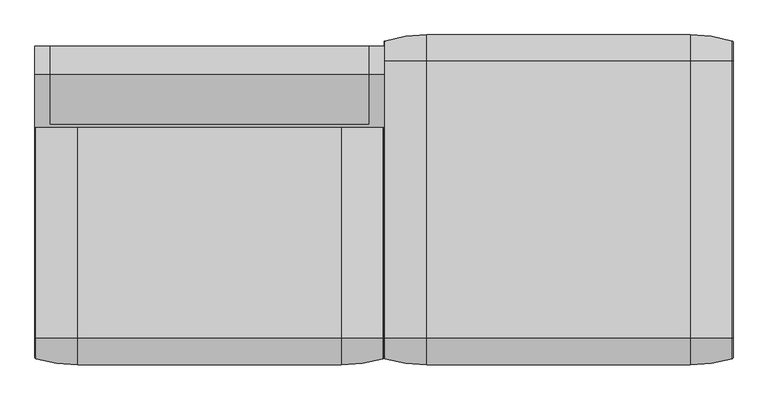
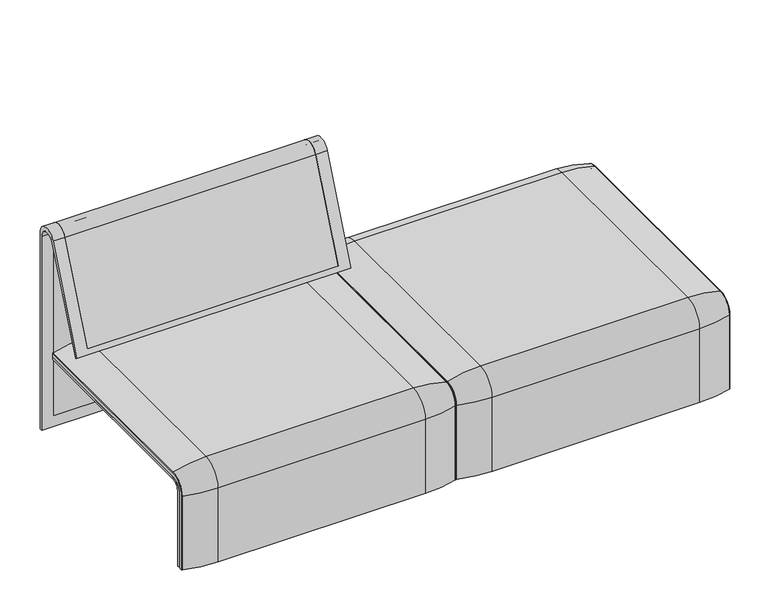
"""IFC4 building model written with IfcOpenShell, lengths in millimetres: furniture geometry."""

from ifc_helpers import new_model, si_unit, point, frame, frame_2d, origin, place, context, project, spatial, polyline, circle_curve, ellipse_curve, trimmed, segment, composite_curve, outline, extrude, source, transform, mapped, element, save
from ifc_brep_helpers import plane_surface, cylinder_surface, revolved_surface, advanced_brep


def furniture_f0f75079(model_context):
    return source(origin(), model_context, "Body", "SolidModel", [
        advanced_brep(
        [(0.0, 323.7517936, 359.922434), (0.0, -323.7517936, 359.922434), (0.0, -351.0, 332.6742277), (0.0, -351.0, 100.5089435), (0.0, -357.5, 100.5089435), (0.0, -357.5, 333.0583003), (0.0, -324.3858663, 366.172434), (0.0, 324.3858663, 366.172434), (0.0, 357.5, 333.0583003), (0.0, 357.5, 100.5089435), (0.0, 351.0, 100.5089435), (0.0, 351.0, 332.6742277), (815.9812488, 323.7517936, 359.922434), (815.9812488, 351.0, 332.6742277), (815.9812488, 351.0, 100.5089435), (815.9812488, 357.5, 100.5089435), (815.9812488, 357.5, 333.0583003), (815.9812488, 324.3858663, 366.172434), (815.9812488, -324.3858663, 366.172434), (815.9812488, -357.5, 333.0583003), (815.9812488, -357.5, 100.5089435), (815.9812488, -351.0, 100.5089435), (815.9812488, -351.0, 332.6742277), (815.9812488, -323.7517936, 359.922434), (34.9, -324.3858663, 366.172434), (34.9, 324.3858663, 366.172434), (781.0812488, 324.3858663, 366.172434), (781.0812488, -324.3858663, 366.172434), (34.9, -357.5, 333.0583003), (781.0812488, -357.5, 333.0583003), (781.0812488, -357.5, 135.3766997), (34.9, -357.5, 135.3766997), (34.9, -351.0, 332.6742277), (34.9, -351.0, 135.3766997), (781.0812488, -351.0, 135.3766997), (781.0812488, -351.0, 332.6742277), (34.9, -323.7517936, 359.922434), (781.0812488, -323.7517936, 359.922434), (34.9, 323.7517936, 359.922434), (781.0812488, 323.7517936, 359.922434), (34.9, 357.5, 333.0583003), (781.0812488, 357.5, 333.0583003), (34.9, 357.5, 135.3766997), (781.0812488, 357.5, 135.3766997), (781.0812488, 351.0, 332.6742277), (781.0812488, 351.0, 135.3766997), (34.9, 351.0, 135.3766997), (34.9, 351.0, 332.6742277)],
        [
            (0, 1),
            (1, 2, circle_curve(frame((0.0, -323.7517936, 332.6742277), z_axis=(1.0, 0.0, 0.0), x_axis=(0.0, -1.0, 0.0)), 27.2482064)),
            (2, 3),
            (3, 4),
            (4, 5),
            (5, 6, circle_curve(frame((0.0, -324.3858663, 333.0583003), z_axis=(-1.0, 0.0, 0.0), x_axis=(0.0, -1.0, 0.0)), 33.1141337)),
            (6, 7),
            (7, 8, circle_curve(frame((0.0, 324.3858663, 333.0583003), z_axis=(-1.0, 0.0, 0.0), x_axis=(0.0, 1.0, 0.0)), 33.1141337)),
            (8, 9),
            (9, 10),
            (10, 11),
            (11, 0, circle_curve(frame((0.0, 323.7517936, 332.6742277), z_axis=(1.0, 0.0, 0.0), x_axis=(0.0, 1.0, 0.0)), 27.2482064)),
            (12, 13, circle_curve(frame((815.9812488, 323.7517936, 332.6742277), z_axis=(-1.0, 0.0, 0.0), x_axis=(0.0, 1.0, 0.0)), 27.2482064)),
            (13, 14),
            (14, 15),
            (15, 16),
            (16, 17, circle_curve(frame((815.9812488, 324.3858663, 333.0583003), z_axis=(1.0, 0.0, 0.0), x_axis=(0.0, 1.0, 0.0)), 33.1141337)),
            (17, 18),
            (18, 19, circle_curve(frame((815.9812488, -324.3858663, 333.0583003), z_axis=(1.0, 0.0, 0.0), x_axis=(0.0, -1.0, 0.0)), 33.1141337)),
            (19, 20),
            (20, 21),
            (21, 22),
            (22, 23, circle_curve(frame((815.9812488, -323.7517936, 332.6742277), z_axis=(-1.0, 0.0, 0.0), x_axis=(0.0, -1.0, 0.0)), 27.2482064)),
            (23, 12),
            (6, 24),
            (24, 25),
            (25, 7),
            (17, 26),
            (26, 27),
            (27, 18),
            (5, 28),
            (28, 24, circle_curve(frame((34.9, -324.3858663, 333.0583003), z_axis=(-1.0, 0.0, 0.0), x_axis=(0.0, -1.0, 0.0)), 33.1141337)),
            (27, 29, circle_curve(frame((781.0812488, -324.3858663, 333.0583003), z_axis=(1.0, 0.0, 0.0), x_axis=(0.0, -1.0, 0.0)), 33.1141337)),
            (29, 19),
            (4, 20),
            (29, 30),
            (30, 31),
            (31, 28),
            (3, 21),
            (2, 32),
            (32, 33),
            (33, 34),
            (34, 35),
            (35, 22),
            (1, 36),
            (36, 32, circle_curve(frame((34.9, -323.7517936, 332.6742277), z_axis=(1.0, 0.0, 0.0), x_axis=(0.0, -1.0, 0.0)), 27.2482064)),
            (35, 37, circle_curve(frame((781.0812488, -323.7517936, 332.6742277), z_axis=(-1.0, 0.0, 0.0), x_axis=(0.0, -1.0, 0.0)), 27.2482064)),
            (37, 23),
            (0, 38),
            (38, 36),
            (37, 39),
            (39, 12),
            (25, 40, circle_curve(frame((34.9, 324.3858663, 333.0583003), z_axis=(-1.0, 0.0, 0.0), x_axis=(0.0, 1.0, 0.0)), 33.1141337)),
            (40, 8),
            (16, 41),
            (41, 26, circle_curve(frame((781.0812488, 324.3858663, 333.0583003), z_axis=(1.0, 0.0, 0.0), x_axis=(0.0, 1.0, 0.0)), 33.1141337)),
            (40, 42),
            (42, 43),
            (43, 41),
            (15, 9),
            (14, 10),
            (13, 44),
            (44, 45),
            (45, 46),
            (46, 47),
            (47, 11),
            (47, 38, circle_curve(frame((34.9, 323.7517936, 332.6742277), z_axis=(1.0, 0.0, 0.0), x_axis=(0.0, 1.0, 0.0)), 27.2482064)),
            (39, 44, circle_curve(frame((781.0812488, 323.7517936, 332.6742277), z_axis=(-1.0, 0.0, 0.0), x_axis=(0.0, 1.0, 0.0)), 27.2482064)),
            (46, 42),
            (31, 33),
            (34, 30),
            (43, 45),
        ],
        [
            plane_surface(frame((0.0, -296.9265415, 359.922434), z_axis=(-1.0, 0.0, 0.0), x_axis=(0.0, -1.0, 0.0))),
            plane_surface(frame((815.9812488, -296.9265415, 359.922434), z_axis=(1.0, 0.0, 0.0), x_axis=(0.0, 1.0, 0.0))),
            plane_surface(frame((0.0, -324.3858663, 366.172434), z_axis=(0.0, 0.0, 1.0), x_axis=(1.0, 0.0, 0.0))),
            cylinder_surface(frame((815.9812488, -324.3858663, 333.0583003), z_axis=(-1.0, 0.0, 0.0), x_axis=(0.0, -1.0, 0.0)), 33.1141337),
            plane_surface(frame((0.0, -357.5, 100.5089435), z_axis=(0.0, -1.0, 0.0), x_axis=(1.0, 0.0, 0.0))),
            plane_surface(frame((0.0, -351.0, 100.5089435), z_axis=(0.0, 0.0, -1.0), x_axis=(1.0, 0.0, 0.0))),
            plane_surface(frame((0.0, -351.0, 332.6742277), z_axis=(0.0, 1.0, 0.0), x_axis=(1.0, 0.0, 0.0))),
            revolved_surface(polyline([(34.89999999999998, -351.0, 332.6742277), (0.0, -351.0, 332.6742277)]), (815.9812488, -323.7517936, 332.6742277), (1.0, 0.0, 0.0)),
            revolved_surface(polyline([(815.9812488, -351.0, 332.6742277), (781.0812488, -351.0, 332.6742277)]), (815.9812488, -323.7517936, 332.6742277), (1.0, 0.0, 0.0)),
            plane_surface(frame((0.0, 323.7517936, 359.922434), z_axis=(0.0, 0.0, -1.0), x_axis=(1.0, 0.0, 0.0))),
            cylinder_surface(frame((815.9812488, 324.3858663, 333.0583003), z_axis=(-1.0, 0.0, 0.0), x_axis=(0.0, 1.0, 0.0)), 33.1141337),
            plane_surface(frame((0.0, 357.5, 333.0583003), z_axis=(0.0, 1.0, 0.0), x_axis=(1.0, 0.0, 0.0))),
            plane_surface(frame((0.0, 357.5, 100.5089435), z_axis=(0.0, 0.0, -1.0), x_axis=(1.0, 0.0, 0.0))),
            plane_surface(frame((0.0, 351.0, 100.5089435), z_axis=(0.0, -1.0, 0.0), x_axis=(1.0, 0.0, 0.0))),
            revolved_surface(polyline([(34.89999999999998, 351.0, 332.6742277), (0.0, 351.0, 332.6742277)]), (815.9812488, 323.7517936, 332.6742277), (1.0, 0.0, 0.0)),
            revolved_surface(polyline([(815.9812488, 351.0, 332.6742277), (781.0812488, 351.0, 332.6742277)]), (815.9812488, 323.7517936, 332.6742277), (1.0, 0.0, 0.0)),
            plane_surface(frame((34.9, -296.9265415, 359.922434), z_axis=(1.0, 0.0, 0.0), x_axis=(0.0, -1.0, 0.0))),
            plane_surface(frame((781.0812488, -296.9265415, 359.922434), z_axis=(-1.0, 0.0, 0.0), x_axis=(0.0, 1.0, 0.0))),
            plane_surface(frame((34.9, -351.0, 135.3766997), z_axis=(0.0, 0.0, 1.0), x_axis=(1.0, 0.0, 0.0))),
            plane_surface(frame((34.9, 357.5, 135.3766997), z_axis=(0.0, 0.0, 1.0), x_axis=(1.0, 0.0, 0.0))),
        ],
        [
            (0, [[1, 2, 3, 4, 5, 6, 7, 8, 9, 10, 11, 12]]),
            (1, [[13, 14, 15, 16, 17, 18, 19, 20, 21, 22, 23, 24]]),
            (2, [[-7, 25, 26, 27]]),
            (2, [[-18, 28, 29, 30]]),
            (3, [[-6, 31, 32, -25]]),
            (3, [[-19, -30, 33, 34]]),
            (4, [[-5, 35, -20, -34, 36, 37, 38, -31]]),
            (5, [[-4, 39, -21, -35]]),
            (6, [[-3, 40, 41, 42, 43, 44, -22, -39]]),
            (7, [[-2, 45, 46, -40]]),
            (8, [[-23, -44, 47, 48]]),
            (9, [[-1, 49, 50, -45]]),
            (9, [[-24, -48, 51, 52]]),
            (10, [[-8, -27, 53, 54]]),
            (10, [[-17, 55, 56, -28]]),
            (11, [[-9, -54, 57, 58, 59, -55, -16, 60]]),
            (12, [[-10, -60, -15, 61]]),
            (13, [[-11, -61, -14, 62, 63, 64, 65, 66]]),
            (14, [[-12, -66, 67, -49]]),
            (15, [[-13, -52, 68, -62]]),
            (16, [[69, -57, -53, -26, -32, -38, 70, -41, -46, -50, -67, -65]]),
            (17, [[71, -36, -33, -29, -56, -59, 72, -63, -68, -51, -47, -43]]),
            (18, [[-70, -37, -71, -42]]),
            (19, [[-69, -64, -72, -58]]),
        ],
    ),
        extrude(outline(composite_curve([segment(polyline([(323.7517936, 359.922434), (-323.7517936, 359.922434)]), True, "CONTINUOUS"), segment(trimmed(circle_curve(frame_2d((-323.7517936, 332.6742277)), 27.2482064), [point((-323.7517936, 359.922434))], [point((-351.0, 332.6742277))], True, "CARTESIAN"), True, "CONTINUOUS"), segment(polyline([(-351.0, 332.6742277), (-351.0, 135.3766997), (-357.5, 135.3766997), (-357.5, 333.0583003)]), True, "CONTINUOUS"), segment(trimmed(circle_curve(frame_2d((-324.3858663, 333.0583003)), 33.1141337), [point((-357.5, 333.0583003))], [point((-324.3858663, 366.172434))], False, "CARTESIAN"), True, "CONTINUOUS"), segment(polyline([(-324.3858663, 366.172434), (324.3858663, 366.172434)]), True, "CONTINUOUS"), segment(trimmed(circle_curve(frame_2d((324.3858663, 333.0583003)), 33.1141337), [point((324.3858663, 366.172434))], [point((357.5, 333.0583003))], False, "CARTESIAN"), True, "CONTINUOUS"), segment(polyline([(357.5, 333.0583003), (357.5, 135.3766997), (351.0, 135.3766997), (351.0, 332.6742277)]), True, "CONTINUOUS"), segment(trimmed(circle_curve(frame_2d((323.7517936, 332.6742277)), 27.2482064), [point((351.0, 332.6742277))], [point((323.7517936, 359.922434))], True, "CARTESIAN"), True, "CONTINUOUS")], self_intersect=False)), frame((34.9, 0.0, 0.0), z_axis=(1.0, 0.0, 0.0), x_axis=(0.0, 1.0, 0.0)), (0.0, 0.0, 1.0), 746.1812488),
        advanced_brep(
        [(0.0, -368.7793679, 100.5089435), (0.0, -357.5, 100.5089435), (815.9812488, -357.5, 100.5089435), (815.9812488, -368.7793679, 100.5089435), (813.8426203, -371.6530483, 100.5089435), (715.9812488, -386.0043559, 100.5089435), (100.0, -386.0043559, 100.5089435), (2.1386285, -371.6530483, 100.5089435), (0.0, 368.7793679, 100.5089435), (2.1386285, 371.6530483, 100.5089435), (100.0, 386.0043559, 100.5089435), (715.9812488, 386.0043559, 100.5089435), (813.8426203, 371.6530483, 100.5089435), (815.9812488, 368.7793679, 100.5089435), (815.9812488, 357.5, 100.5089435), (0.0, 357.5, 100.5089435), (0.0, -368.7793679, 333.0583003), (0.0, -324.3858663, 377.4518019), (0.0, 324.3858663, 377.4518019), (0.0, 368.7793679, 333.0583003), (0.0, 357.5, 333.0583003), (0.0, 324.3858663, 366.172434), (0.0, -324.3858663, 366.172434), (0.0, -357.5, 333.0583003), (815.9812488, -357.5, 333.0583003), (715.9812488, -386.0043559, 333.0583003), (100.0, -386.0043559, 333.0583003), (2.1386285, -371.6530483, 333.0583003), (815.9812488, -324.3858663, 366.172434), (100.0, -324.3858663, 394.67679), (715.9812488, -324.3858663, 394.67679), (2.1386285, -324.3858663, 380.3254823), (815.9812488, 324.3858663, 366.172434), (715.9812488, 324.3858663, 394.67679), (100.0, 324.3858663, 394.67679), (2.1386285, 324.3858663, 380.3254823), (815.9812488, 357.5, 333.0583003), (100.0, 386.0043559, 333.0583003), (715.9812488, 386.0043559, 333.0583003), (2.1386285, 371.6530483, 333.0583003), (815.9812488, 368.7793679, 333.0583003), (815.9812488, 324.3858663, 377.4518019), (815.9812488, -324.3858663, 377.4518019), (815.9812488, -368.7793679, 333.0583003), (813.8426203, -371.6530483, 333.0583003), (813.8426203, -324.3858663, 380.3254823), (813.8426203, 324.3858663, 380.3254823), (813.8426203, 371.6530483, 333.0583003)],
        [
            (0, 1),
            (1, 2),
            (2, 3),
            (3, 4, circle_curve(frame((812.9812488, -368.7793679, 100.5089435), z_axis=(0.0, 0.0, -1.0), x_axis=(-1.0, 0.0, 0.0)), 3.0)),
            (4, 5, circle_curve(frame((715.9812488, -45.1710226, 100.5089435), z_axis=(0.0, 0.0, -1.0), x_axis=(0.0, 1.0, 0.0)), 340.8333333)),
            (5, 6),
            (6, 7, circle_curve(frame((100.0, -45.1710226, 100.5089435), z_axis=(0.0, 0.0, -1.0), x_axis=(0.0, 1.0, 0.0)), 340.8333333)),
            (7, 0, circle_curve(frame((3.0, -368.7793679, 100.5089435), z_axis=(0.0, 0.0, -1.0), x_axis=(1.0, 0.0, 0.0)), 3.0)),
            (8, 9, circle_curve(frame((3.0, 368.7793679, 100.5089435), z_axis=(0.0, 0.0, -1.0), x_axis=(1.0, 0.0, 0.0)), 3.0)),
            (9, 10, circle_curve(frame((100.0, 45.1710226, 100.5089435), z_axis=(0.0, 0.0, -1.0), x_axis=(0.0, -1.0, 0.0)), 340.8333333)),
            (10, 11),
            (11, 12, circle_curve(frame((715.9812488, 45.1710226, 100.5089435), z_axis=(0.0, 0.0, -1.0), x_axis=(0.0, -1.0, 0.0)), 340.8333333)),
            (12, 13, circle_curve(frame((812.9812488, 368.7793679, 100.5089435), z_axis=(0.0, 0.0, -1.0), x_axis=(-1.0, 0.0, 0.0)), 3.0)),
            (13, 14),
            (14, 15),
            (15, 8),
            (0, 16),
            (16, 17, circle_curve(frame((0.0, -324.3858663, 333.0583003), z_axis=(-1.0, 0.0, 0.0), x_axis=(0.0, -1.0, 0.0)), 44.3935016)),
            (17, 18),
            (18, 19, circle_curve(frame((0.0, 324.3858663, 333.0583003), z_axis=(-1.0, 0.0, 0.0), x_axis=(0.0, 0.0, 1.0)), 44.3935016)),
            (19, 8),
            (15, 20),
            (20, 21, circle_curve(frame((0.0, 324.3858663, 333.0583003), z_axis=(1.0, 0.0, 0.0), x_axis=(0.0, 0.0, 1.0)), 33.1141337)),
            (21, 22),
            (22, 23, circle_curve(frame((0.0, -324.3858663, 333.0583003), z_axis=(1.0, 0.0, 0.0), x_axis=(0.0, -1.0, 0.0)), 33.1141337)),
            (23, 1),
            (23, 24),
            (24, 2),
            (5, 25),
            (25, 26),
            (26, 6),
            (26, 27, circle_curve(frame((100.0, -45.1710226, 333.0583003), z_axis=(0.0, 0.0, -1.0), x_axis=(0.0, 1.0, 0.0)), 340.8333333)),
            (27, 7),
            (27, 16, circle_curve(frame((3.0, -368.7793679, 333.0583003), z_axis=(0.0, 0.0, -1.0), x_axis=(1.0, 0.0, 0.0)), 3.0)),
            (28, 24, circle_curve(frame((815.9812488, -324.3858663, 333.0583003), z_axis=(1.0, 0.0, 0.0), x_axis=(0.0, -1.0, 0.0)), 33.1141337)),
            (22, 28),
            (29, 26, circle_curve(frame((100.0, -324.3858663, 333.0583003), z_axis=(1.0, 0.0, 0.0), x_axis=(0.0, -1.0, 0.0)), 61.6184897)),
            (25, 30, circle_curve(frame((715.9812488, -324.3858663, 333.0583003), z_axis=(-1.0, 0.0, 0.0), x_axis=(0.0, -1.0, 0.0)), 61.6184897)),
            (30, 29),
            (31, 27, circle_curve(frame((2.1386285, -324.3858663, 333.0583003), z_axis=(1.0, 0.0, 0.0), x_axis=(0.0, -1.0, 0.0)), 47.267182)),
            (29, 31, circle_curve(frame((100.0, -324.3858663, 53.8434566), z_axis=(0.0, -1.0, 0.0), x_axis=(0.0, 0.0, -1.0)), 340.8333333)),
            (31, 17, circle_curve(frame((3.0, -324.3858663, 377.4518019), z_axis=(0.0, -1.0, 0.0), x_axis=(1.0, 0.0, 0.0)), 3.0)),
            (21, 32),
            (32, 28),
            (30, 33),
            (33, 34),
            (34, 29),
            (34, 35, circle_curve(frame((100.0, 324.3858663, 53.8434566), z_axis=(0.0, -1.0, 0.0), x_axis=(0.0, 0.0, -1.0)), 340.8333333)),
            (35, 31),
            (35, 18, circle_curve(frame((3.0, 324.3858663, 377.4518019), z_axis=(0.0, -1.0, 0.0), x_axis=(1.0, 0.0, 0.0)), 3.0)),
            (36, 32, circle_curve(frame((815.9812488, 324.3858663, 333.0583003), z_axis=(1.0, 0.0, 0.0), x_axis=(0.0, 0.0, 1.0)), 33.1141337)),
            (20, 36),
            (37, 34, circle_curve(frame((100.0, 324.3858663, 333.0583003), z_axis=(1.0, 0.0, 0.0), x_axis=(0.0, 0.0, 1.0)), 61.6184897)),
            (33, 38, circle_curve(frame((715.9812488, 324.3858663, 333.0583003), z_axis=(-1.0, 0.0, 0.0), x_axis=(0.0, 0.0, 1.0)), 61.6184897)),
            (38, 37),
            (39, 35, circle_curve(frame((2.1386285, 324.3858663, 333.0583003), z_axis=(1.0, 0.0, 0.0), x_axis=(0.0, 0.0, 1.0)), 47.267182)),
            (37, 39, circle_curve(frame((100.0, 45.1710226, 333.0583003), z_axis=(0.0, 0.0, 1.0), x_axis=(0.0, -1.0, 0.0)), 340.8333333)),
            (39, 19, circle_curve(frame((3.0, 368.7793679, 333.0583003), z_axis=(0.0, 0.0, 1.0), x_axis=(1.0, 0.0, 0.0)), 3.0)),
            (14, 36),
            (38, 11),
            (10, 37),
            (9, 39),
            (13, 40),
            (40, 41, circle_curve(frame((815.9812488, 324.3858663, 333.0583003), z_axis=(1.0, 0.0, 0.0), x_axis=(0.0, 0.0, 1.0)), 44.3935016)),
            (41, 42),
            (42, 43, circle_curve(frame((815.9812488, -324.3858663, 333.0583003), z_axis=(1.0, 0.0, 0.0), x_axis=(0.0, -1.0, 0.0)), 44.3935016)),
            (43, 3),
            (43, 44, circle_curve(frame((812.9812488, -368.7793679, 333.0583003), z_axis=(0.0, 0.0, -1.0), x_axis=(-1.0, 0.0, 0.0)), 3.0)),
            (44, 4),
            (44, 25, circle_curve(frame((715.9812488, -45.1710226, 333.0583003), z_axis=(0.0, 0.0, -1.0), x_axis=(0.0, 1.0, 0.0)), 340.8333333)),
            (45, 44, circle_curve(frame((813.8426203, -324.3858663, 333.0583003), z_axis=(1.0, 0.0, 0.0), x_axis=(0.0, -1.0, 0.0)), 47.267182)),
            (42, 45, circle_curve(frame((812.9812488, -324.3858663, 377.4518019), z_axis=(0.0, -1.0, 0.0), x_axis=(-1.0, 0.0, 0.0)), 3.0)),
            (45, 30, circle_curve(frame((715.9812488, -324.3858663, 53.8434566), z_axis=(0.0, -1.0, 0.0), x_axis=(0.0, 0.0, -1.0)), 340.8333333)),
            (41, 46, circle_curve(frame((812.9812488, 324.3858663, 377.4518019), z_axis=(0.0, -1.0, 0.0), x_axis=(-1.0, 0.0, 0.0)), 3.0)),
            (46, 45),
            (46, 33, circle_curve(frame((715.9812488, 324.3858663, 53.8434566), z_axis=(0.0, -1.0, 0.0), x_axis=(0.0, 0.0, -1.0)), 340.8333333)),
            (47, 46, circle_curve(frame((813.8426203, 324.3858663, 333.0583003), z_axis=(1.0, 0.0, 0.0), x_axis=(0.0, 0.0, 1.0)), 47.267182)),
            (40, 47, circle_curve(frame((812.9812488, 368.7793679, 333.0583003), z_axis=(0.0, 0.0, 1.0), x_axis=(-1.0, 0.0, 0.0)), 3.0)),
            (47, 38, circle_curve(frame((715.9812488, 45.1710226, 333.0583003), z_axis=(0.0, 0.0, 1.0), x_axis=(0.0, -1.0, 0.0)), 340.8333333)),
            (12, 47),
        ],
        [
            plane_surface(frame((0.0, -357.5, 100.5089435), z_axis=(0.0, 0.0, -1.0), x_axis=(1.0, 0.0, 0.0))),
            plane_surface(frame((0.0, 357.5, 100.5089435), z_axis=(0.0, 0.0, -1.0), x_axis=(1.0, 0.0, 0.0))),
            plane_surface(frame((0.0, -368.7793679, 100.5089435), z_axis=(-1.0, 0.0, 0.0), x_axis=(0.0, 0.0, 1.0))),
            plane_surface(frame((0.0, -357.5, 100.5089435), z_axis=(0.0, 1.0, 0.0), x_axis=(0.0, 0.0, 1.0))),
            plane_surface(frame((715.9812488, -386.0043559, 100.5089435), z_axis=(0.0, -1.0, 0.0), x_axis=(0.0, 0.0, 1.0))),
            cylinder_surface(frame((100.0, -45.1710226, 100.5089435), z_axis=(0.0, 0.0, -1.0), x_axis=(0.0, 1.0, 0.0)), 340.8333333),
            cylinder_surface(frame((3.0, -368.7793679, 100.5089435), z_axis=(0.0, 0.0, -1.0), x_axis=(1.0, 0.0, 0.0)), 3.0),
            revolved_surface(polyline([(0.0, -357.5, 333.0583003), (815.9812488, -357.5, 333.0583003)]), (0.0, -324.3858663, 333.0583003), (-1.0, 0.0, 0.0)),
            cylinder_surface(frame((0.0, -324.3858663, 333.0583003), z_axis=(-1.0, 0.0, 0.0), x_axis=(0.0, -1.0, 0.0)), 61.6184897),
            revolved_surface(trimmed(ellipse_curve(frame((100.0, -45.1710226, 333.0583003), z_axis=(0.0, 0.0, -1.0), x_axis=(0.0, 1.0, 0.0)), 340.8333333, 340.8333333), [point((100.0, -386.0043559, 333.0583003))], [point((2.1386285, -371.6530483, 333.0583003))], True, "CARTESIAN"), (0.0, -324.3858663, 333.0583003), (-1.0, 0.0, 0.0)),
            revolved_surface(trimmed(ellipse_curve(frame((3.0, -368.7793679, 333.0583003), z_axis=(0.0, 0.0, -1.0), x_axis=(1.0, 0.0, 0.0)), 3.0, 3.0), [point((2.1386285, -371.6530483, 333.0583003))], [point((0.0, -368.7793679, 333.0583003))], True, "CARTESIAN"), (0.0, -324.3858663, 333.0583003), (-1.0, 0.0, 0.0)),
            plane_surface(frame((0.0, -324.3858663, 366.172434), z_axis=(0.0, 0.0, -1.0), x_axis=(0.0, 1.0, 0.0))),
            plane_surface(frame((715.9812488, -324.3858663, 394.67679), z_axis=(0.0, 0.0, 1.0), x_axis=(0.0, 1.0, 0.0))),
            cylinder_surface(frame((100.0, -324.3858663, 53.8434566), z_axis=(0.0, -1.0, 0.0), x_axis=(0.0, 0.0, -1.0)), 340.8333333),
            cylinder_surface(frame((3.0, -324.3858663, 377.4518019), z_axis=(0.0, -1.0, 0.0), x_axis=(1.0, 0.0, 0.0)), 3.0),
            revolved_surface(polyline([(0.0, 324.3858663, 366.17243399999995), (815.9812488, 324.3858663, 366.17243399999995)]), (0.0, 324.3858663, 333.0583003), (-1.0, 0.0, 0.0)),
            cylinder_surface(frame((0.0, 324.3858663, 333.0583003), z_axis=(-1.0, 0.0, 0.0), x_axis=(0.0, 0.0, 1.0)), 61.6184897),
            revolved_surface(trimmed(ellipse_curve(frame((100.0, 324.3858663, 53.8434566), z_axis=(0.0, -1.0, 0.0), x_axis=(0.0, 0.0, -1.0)), 340.8333333, 340.8333333), [point((100.0, 324.3858663, 394.67679))], [point((2.1386285, 324.3858663, 380.3254823))], True, "CARTESIAN"), (0.0, 324.3858663, 333.0583003), (-1.0, 0.0, 0.0)),
            revolved_surface(trimmed(ellipse_curve(frame((3.0, 324.3858663, 377.4518019), z_axis=(0.0, -1.0, 0.0), x_axis=(1.0, 0.0, 0.0)), 3.0, 3.0), [point((2.1386285, 324.3858663, 380.3254823))], [point((0.0, 324.3858663, 377.4518019))], True, "CARTESIAN"), (0.0, 324.3858663, 333.0583003), (-1.0, 0.0, 0.0)),
            plane_surface(frame((0.0, 357.5, 333.0583003), z_axis=(0.0, -1.0, 0.0), x_axis=(0.0, 0.0, -1.0))),
            plane_surface(frame((715.9812488, 386.0043559, 333.0583003), z_axis=(0.0, 1.0, 0.0), x_axis=(0.0, 0.0, -1.0))),
            cylinder_surface(frame((100.0, 45.1710226, 333.0583003), z_axis=(0.0, 0.0, 1.0), x_axis=(0.0, -1.0, 0.0)), 340.8333333),
            cylinder_surface(frame((3.0, 368.7793679, 333.0583003), z_axis=(0.0, 0.0, 1.0), x_axis=(1.0, 0.0, 0.0)), 3.0),
            plane_surface(frame((815.9812488, -357.5, 100.5089435), z_axis=(1.0, 0.0, 0.0), x_axis=(0.0, 0.0, 1.0))),
            cylinder_surface(frame((812.9812488, -368.7793679, 100.5089435), z_axis=(0.0, 0.0, -1.0), x_axis=(-1.0, 0.0, 0.0)), 3.0),
            cylinder_surface(frame((715.9812488, -45.1710226, 100.5089435), z_axis=(0.0, 0.0, -1.0), x_axis=(0.0, 1.0, 0.0)), 340.8333333),
            revolved_surface(trimmed(ellipse_curve(frame((812.9812488, -368.7793679, 333.0583003), z_axis=(0.0, 0.0, -1.0), x_axis=(-1.0, 0.0, 0.0)), 3.0, 3.0), [point((815.9812488, -368.7793679, 333.0583003))], [point((813.8426203, -371.6530483, 333.0583003))], True, "CARTESIAN"), (0.0, -324.3858663, 333.0583003), (-1.0, 0.0, 0.0)),
            revolved_surface(trimmed(ellipse_curve(frame((715.9812488, -45.1710226, 333.0583003), z_axis=(0.0, 0.0, -1.0), x_axis=(0.0, 1.0, 0.0)), 340.8333333, 340.8333333), [point((813.8426203, -371.6530483, 333.0583003))], [point((715.9812488, -386.0043559, 333.0583003))], True, "CARTESIAN"), (0.0, -324.3858663, 333.0583003), (-1.0, 0.0, 0.0)),
            cylinder_surface(frame((812.9812488, -324.3858663, 377.4518019), z_axis=(0.0, -1.0, 0.0), x_axis=(-1.0, 0.0, 0.0)), 3.0),
            cylinder_surface(frame((715.9812488, -324.3858663, 53.8434566), z_axis=(0.0, -1.0, 0.0), x_axis=(0.0, 0.0, -1.0)), 340.8333333),
            revolved_surface(trimmed(ellipse_curve(frame((812.9812488, 324.3858663, 377.4518019), z_axis=(0.0, -1.0, 0.0), x_axis=(-1.0, 0.0, 0.0)), 3.0, 3.0), [point((815.9812488, 324.3858663, 377.4518019))], [point((813.8426203, 324.3858663, 380.3254823))], True, "CARTESIAN"), (0.0, 324.3858663, 333.0583003), (-1.0, 0.0, 0.0)),
            revolved_surface(trimmed(ellipse_curve(frame((715.9812488, 324.3858663, 53.8434566), z_axis=(0.0, -1.0, 0.0), x_axis=(0.0, 0.0, -1.0)), 340.8333333, 340.8333333), [point((813.8426203, 324.3858663, 380.3254823))], [point((715.9812488, 324.3858663, 394.67679))], True, "CARTESIAN"), (0.0, 324.3858663, 333.0583003), (-1.0, 0.0, 0.0)),
            cylinder_surface(frame((812.9812488, 368.7793679, 333.0583003), z_axis=(0.0, 0.0, 1.0), x_axis=(-1.0, 0.0, 0.0)), 3.0),
            cylinder_surface(frame((715.9812488, 45.1710226, 333.0583003), z_axis=(0.0, 0.0, 1.0), x_axis=(0.0, -1.0, 0.0)), 340.8333333),
        ],
        [
            (0, [[1, 2, 3, 4, 5, 6, 7, 8]]),
            (1, [[9, 10, 11, 12, 13, 14, 15, 16]]),
            (2, [[-1, 17, 18, 19, 20, 21, -16, 22, 23, 24, 25, 26]]),
            (3, [[-2, -26, 27, 28]]),
            (4, [[-6, 29, 30, 31]]),
            (5, [[-7, -31, 32, 33]]),
            (6, [[-8, -33, 34, -17]]),
            (7, [[35, -27, -25, 36]]),
            (8, [[37, -30, 38, 39]]),
            (9, [[40, -32, -37, 41]]),
            (10, [[-18, -34, -40, 42]]),
            (11, [[-36, -24, 43, 44]]),
            (12, [[-39, 45, 46, 47]]),
            (13, [[-41, -47, 48, 49]]),
            (14, [[-42, -49, 50, -19]]),
            (15, [[51, -43, -23, 52]]),
            (16, [[53, -46, 54, 55]]),
            (17, [[56, -48, -53, 57]]),
            (18, [[-20, -50, -56, 58]]),
            (19, [[-52, -22, -15, 59]]),
            (20, [[-55, 60, -11, 61]]),
            (21, [[-57, -61, -10, 62]]),
            (22, [[-58, -62, -9, -21]]),
            (23, [[-3, -28, -35, -44, -51, -59, -14, 63, 64, 65, 66, 67]]),
            (24, [[-4, -67, 68, 69]]),
            (25, [[-5, -69, 70, -29]]),
            (26, [[71, -68, -66, 72]]),
            (27, [[-38, -70, -71, 73]]),
            (28, [[-72, -65, 74, 75]]),
            (29, [[-73, -75, 76, -45]]),
            (30, [[77, -74, -64, 78]]),
            (31, [[-54, -76, -77, 79]]),
            (32, [[-78, -63, -13, 80]]),
            (33, [[-79, -80, -12, -60]]),
        ],
    ),
        advanced_brep(
        [(-815.9812488, 295.0, 359.922434), (-815.9812488, -323.7517936, 359.922434), (-815.9812488, -351.0, 332.6742277), (-815.9812488, -351.0, 100.5089435), (-815.9812488, -357.5, 100.5089435), (-815.9812488, -357.5, 333.0583003), (-815.9812488, -324.3858663, 366.172434), (-815.9812488, 295.0, 366.172434), (0.0, 295.0, 359.922434), (0.0, 295.0, 366.172434), (0.0, -324.3858663, 366.172434), (0.0, -357.5, 333.0583003), (0.0, -357.5, 100.5089435), (0.0, -351.0, 100.5089435), (0.0, -351.0, 332.6742277), (0.0, -323.7517936, 359.922434), (-781.0812488, -324.3858663, 366.172434), (-781.0812488, 260.0, 366.172434), (-34.9, 260.0, 366.172434), (-34.9, -324.3858663, 366.172434), (-781.0812488, -357.5, 333.0583003), (-34.9, -357.5, 333.0583003), (-34.9, -357.5, 135.3766997), (-781.0812488, -357.5, 135.3766997), (-781.0812488, -351.0, 332.6742277), (-781.0812488, -351.0, 135.3766997), (-34.9, -351.0, 135.3766997), (-34.9, -351.0, 332.6742277), (-781.0812488, -323.7517936, 359.922434), (-34.9, -323.7517936, 359.922434), (-34.9, 260.0, 359.922434), (-781.0812488, 260.0, 359.922434)],
        [
            (0, 1),
            (1, 2, circle_curve(frame((-815.9812488, -323.7517936, 332.6742277), z_axis=(1.0, 0.0, 0.0), x_axis=(0.0, -1.0, 0.0)), 27.2482064)),
            (2, 3),
            (3, 4),
            (4, 5),
            (5, 6, circle_curve(frame((-815.9812488, -324.3858663, 333.0583003), z_axis=(-1.0, 0.0, 0.0), x_axis=(0.0, -1.0, 0.0)), 33.1141337)),
            (6, 7),
            (7, 0),
            (8, 9),
            (9, 10),
            (10, 11, circle_curve(frame((0.0, -324.3858663, 333.0583003), z_axis=(1.0, 0.0, 0.0), x_axis=(0.0, -1.0, 0.0)), 33.1141337)),
            (11, 12),
            (12, 13),
            (13, 14),
            (14, 15, circle_curve(frame((0.0, -323.7517936, 332.6742277), z_axis=(-1.0, 0.0, 0.0), x_axis=(0.0, -1.0, 0.0)), 27.2482064)),
            (15, 8),
            (7, 9),
            (8, 0),
            (6, 16),
            (16, 17),
            (17, 18),
            (18, 19),
            (19, 10),
            (5, 20),
            (20, 16, circle_curve(frame((-781.0812488, -324.3858663, 333.0583003), z_axis=(-1.0, 0.0, 0.0), x_axis=(0.0, -1.0, 0.0)), 33.1141337)),
            (19, 21, circle_curve(frame((-34.9, -324.3858663, 333.0583003), z_axis=(1.0, 0.0, 0.0), x_axis=(0.0, -1.0, 0.0)), 33.1141337)),
            (21, 11),
            (4, 12),
            (21, 22),
            (22, 23),
            (23, 20),
            (3, 13),
            (2, 24),
            (24, 25),
            (25, 26),
            (26, 27),
            (27, 14),
            (1, 28),
            (28, 24, circle_curve(frame((-781.0812488, -323.7517936, 332.6742277), z_axis=(1.0, 0.0, 0.0), x_axis=(0.0, -1.0, 0.0)), 27.2482064)),
            (27, 29, circle_curve(frame((-34.9, -323.7517936, 332.6742277), z_axis=(-1.0, 0.0, 0.0), x_axis=(0.0, -1.0, 0.0)), 27.2482064)),
            (29, 15),
            (29, 30),
            (30, 31),
            (31, 28),
            (31, 17),
            (23, 25),
            (26, 22),
            (18, 30),
        ],
        [
            plane_surface(frame((-815.9812488, -296.9265415, 359.922434), z_axis=(-1.0, 0.0, 0.0), x_axis=(0.0, -1.0, 0.0))),
            plane_surface(frame((0.0, -296.9265415, 359.922434), z_axis=(1.0, 0.0, 0.0), x_axis=(0.0, 1.0, 0.0))),
            plane_surface(frame((-815.9812488, 295.0, 366.172434), z_axis=(0.0, 1.0, 0.0), x_axis=(1.0, 0.0, 0.0))),
            plane_surface(frame((-815.9812488, -324.3858663, 366.172434), z_axis=(0.0, 0.0, 1.0), x_axis=(1.0, 0.0, 0.0))),
            cylinder_surface(frame((0.0, -324.3858663, 333.0583003), z_axis=(-1.0, 0.0, 0.0), x_axis=(0.0, -1.0, 0.0)), 33.1141337),
            plane_surface(frame((-815.9812488, -357.5, 100.5089435), z_axis=(0.0, -1.0, 0.0), x_axis=(1.0, 0.0, 0.0))),
            plane_surface(frame((-815.9812488, -351.0, 100.5089435), z_axis=(0.0, 0.0, -1.0), x_axis=(1.0, 0.0, 0.0))),
            plane_surface(frame((-815.9812488, -351.0, 332.6742277), z_axis=(0.0, 1.0, 0.0), x_axis=(1.0, 0.0, 0.0))),
            revolved_surface(polyline([(-781.0812488, -351.0, 332.6742277), (-815.9812488, -351.0, 332.6742277)]), (0.0, -323.7517936, 332.6742277), (1.0, 0.0, 0.0)),
            revolved_surface(polyline([(0.0, -351.0, 332.6742277), (-34.9, -351.0, 332.6742277)]), (0.0, -323.7517936, 332.6742277), (1.0, 0.0, 0.0)),
            plane_surface(frame((-815.9812488, 295.0, 359.922434), z_axis=(0.0, 0.0, -1.0), x_axis=(1.0, 0.0, 0.0))),
            plane_surface(frame((-781.0812488, -296.9265415, 359.922434), z_axis=(1.0, 0.0, 0.0), x_axis=(0.0, -1.0, 0.0))),
            plane_surface(frame((-34.9, -296.9265415, 359.922434), z_axis=(-1.0, 0.0, 0.0), x_axis=(0.0, 1.0, 0.0))),
            plane_surface(frame((-781.0812488, 260.0, 366.172434), z_axis=(0.0, -1.0, 0.0), x_axis=(1.0, 0.0, 0.0))),
            plane_surface(frame((-781.0812488, -351.0, 135.3766997), z_axis=(0.0, 0.0, 1.0), x_axis=(1.0, 0.0, 0.0))),
        ],
        [
            (0, [[1, 2, 3, 4, 5, 6, 7, 8]]),
            (1, [[9, 10, 11, 12, 13, 14, 15, 16]]),
            (2, [[-8, 17, -9, 18]]),
            (3, [[-7, 19, 20, 21, 22, 23, -10, -17]]),
            (4, [[-6, 24, 25, -19]]),
            (4, [[-11, -23, 26, 27]]),
            (5, [[-5, 28, -12, -27, 29, 30, 31, -24]]),
            (6, [[-4, 32, -13, -28]]),
            (7, [[-3, 33, 34, 35, 36, 37, -14, -32]]),
            (8, [[-2, 38, 39, -33]]),
            (9, [[-15, -37, 40, 41]]),
            (10, [[-1, -18, -16, -41, 42, 43, 44, -38]]),
            (11, [[45, -20, -25, -31, 46, -34, -39, -44]]),
            (12, [[47, -29, -26, -22, 48, -42, -40, -36]]),
            (13, [[-45, -43, -48, -21]]),
            (14, [[-46, -30, -47, -35]]),
        ],
    ),
        extrude(outline(composite_curve([segment(polyline([(260.0, 359.922434), (-323.7517936, 359.922434)]), True, "CONTINUOUS"), segment(trimmed(circle_curve(frame_2d((-323.7517936, 332.6742277)), 27.2482064), [point((-323.7517936, 359.922434))], [point((-351.0, 332.6742277))], True, "CARTESIAN"), True, "CONTINUOUS"), segment(polyline([(-351.0, 332.6742277), (-351.0, 135.3766997), (-357.5, 135.3766997), (-357.5, 333.0583003)]), True, "CONTINUOUS"), segment(trimmed(circle_curve(frame_2d((-324.3858663, 333.0583003)), 33.1141337), [point((-357.5, 333.0583003))], [point((-324.3858663, 366.172434))], False, "CARTESIAN"), True, "CONTINUOUS"), segment(polyline([(-324.3858663, 366.172434), (260.0, 366.172434), (260.0, 359.922434)]), True, "CONTINUOUS")], self_intersect=False)), frame((-781.0812488, 0.0, 0.0), z_axis=(1.0, 0.0, 0.0), x_axis=(0.0, 1.0, 0.0)), (0.0, 0.0, 1.0), 746.1812488),
        advanced_brep(
        [(-815.9812488, -368.7793679, 100.5089435), (-815.9812488, -357.5, 100.5089435), (0.0, -357.5, 100.5089435), (0.0, -368.7793679, 100.5089435), (-2.1386285, -371.6530483, 100.5089435), (-100.0, -386.0043559, 100.5089435), (-715.9812488, -386.0043559, 100.5089435), (-813.8426203, -371.6530483, 100.5089435), (-815.9812488, 295.0, 377.4518019), (-813.8426203, 295.0, 380.3254823), (-715.9812488, 295.0, 394.67679), (-100.0, 295.0, 394.67679), (-2.1386285, 295.0, 380.3254823), (0.0, 295.0, 377.4518019), (0.0, 295.0, 366.172434), (-815.9812488, 295.0, 366.172434), (-815.9812488, -368.7793679, 333.0583003), (-815.9812488, -324.3858663, 377.4518019), (-815.9812488, -324.3858663, 366.172434), (-815.9812488, -357.5, 333.0583003), (0.0, -357.5, 333.0583003), (-100.0, -386.0043559, 333.0583003), (-715.9812488, -386.0043559, 333.0583003), (-813.8426203, -371.6530483, 333.0583003), (0.0, -324.3858663, 366.172434), (-715.9812488, -324.3858663, 394.67679), (-100.0, -324.3858663, 394.67679), (-813.8426203, -324.3858663, 380.3254823), (0.0, -324.3858663, 377.4518019), (0.0, -368.7793679, 333.0583003), (-2.1386285, -371.6530483, 333.0583003), (-2.1386285, -324.3858663, 380.3254823)],
        [
            (0, 1),
            (1, 2),
            (2, 3),
            (3, 4, circle_curve(frame((-3.0, -368.7793679, 100.5089435), z_axis=(0.0, 0.0, -1.0), x_axis=(-1.0, 0.0, 0.0)), 3.0)),
            (4, 5, circle_curve(frame((-100.0, -45.1710226, 100.5089435), z_axis=(0.0, 0.0, -1.0), x_axis=(0.0, 1.0, 0.0)), 340.8333333)),
            (5, 6),
            (6, 7, circle_curve(frame((-715.9812488, -45.1710226, 100.5089435), z_axis=(0.0, 0.0, -1.0), x_axis=(0.0, 1.0, 0.0)), 340.8333333)),
            (7, 0, circle_curve(frame((-812.9812488, -368.7793679, 100.5089435), z_axis=(0.0, 0.0, -1.0), x_axis=(1.0, 0.0, 0.0)), 3.0)),
            (8, 9, circle_curve(frame((-812.9812488, 295.0, 377.4518019), z_axis=(0.0, 1.0, 0.0), x_axis=(1.0, 0.0, 0.0)), 3.0)),
            (9, 10, circle_curve(frame((-715.9812488, 295.0, 53.8434566), z_axis=(0.0, 1.0, 0.0), x_axis=(0.0, 0.0, -1.0)), 340.8333333)),
            (10, 11),
            (11, 12, circle_curve(frame((-100.0, 295.0, 53.8434566), z_axis=(0.0, 1.0, 0.0), x_axis=(0.0, 0.0, -1.0)), 340.8333333)),
            (12, 13, circle_curve(frame((-3.0, 295.0, 377.4518019), z_axis=(0.0, 1.0, 0.0), x_axis=(-1.0, 0.0, 0.0)), 3.0)),
            (13, 14),
            (14, 15),
            (15, 8),
            (0, 16),
            (16, 17, circle_curve(frame((-815.9812488, -324.3858663, 333.0583003), z_axis=(-1.0, 0.0, 0.0), x_axis=(0.0, -1.0, 0.0)), 44.3935016)),
            (17, 8),
            (15, 18),
            (18, 19, circle_curve(frame((-815.9812488, -324.3858663, 333.0583003), z_axis=(1.0, 0.0, 0.0), x_axis=(0.0, -1.0, 0.0)), 33.1141337)),
            (19, 1),
            (19, 20),
            (20, 2),
            (5, 21),
            (21, 22),
            (22, 6),
            (22, 23, circle_curve(frame((-715.9812488, -45.1710226, 333.0583003), z_axis=(0.0, 0.0, -1.0), x_axis=(0.0, 1.0, 0.0)), 340.8333333)),
            (23, 7),
            (23, 16, circle_curve(frame((-812.9812488, -368.7793679, 333.0583003), z_axis=(0.0, 0.0, -1.0), x_axis=(1.0, 0.0, 0.0)), 3.0)),
            (24, 20, circle_curve(frame((0.0, -324.3858663, 333.0583003), z_axis=(1.0, 0.0, 0.0), x_axis=(0.0, -1.0, 0.0)), 33.1141337)),
            (18, 24),
            (25, 22, circle_curve(frame((-715.9812488, -324.3858663, 333.0583003), z_axis=(1.0, 0.0, 0.0), x_axis=(0.0, -1.0, 0.0)), 61.6184897)),
            (21, 26, circle_curve(frame((-100.0, -324.3858663, 333.0583003), z_axis=(-1.0, 0.0, 0.0), x_axis=(0.0, -1.0, 0.0)), 61.6184897)),
            (26, 25),
            (27, 23, circle_curve(frame((-813.8426203, -324.3858663, 333.0583003), z_axis=(1.0, 0.0, 0.0), x_axis=(0.0, -1.0, 0.0)), 47.267182)),
            (25, 27, circle_curve(frame((-715.9812488, -324.3858663, 53.8434566), z_axis=(0.0, -1.0, 0.0), x_axis=(0.0, 0.0, -1.0)), 340.8333333)),
            (27, 17, circle_curve(frame((-812.9812488, -324.3858663, 377.4518019), z_axis=(0.0, -1.0, 0.0), x_axis=(1.0, 0.0, 0.0)), 3.0)),
            (14, 24),
            (26, 11),
            (10, 25),
            (9, 27),
            (13, 28),
            (28, 29, circle_curve(frame((0.0, -324.3858663, 333.0583003), z_axis=(1.0, 0.0, 0.0), x_axis=(0.0, -1.0, 0.0)), 44.3935016)),
            (29, 3),
            (29, 30, circle_curve(frame((-3.0, -368.7793679, 333.0583003), z_axis=(0.0, 0.0, -1.0), x_axis=(-1.0, 0.0, 0.0)), 3.0)),
            (30, 4),
            (30, 21, circle_curve(frame((-100.0, -45.1710226, 333.0583003), z_axis=(0.0, 0.0, -1.0), x_axis=(0.0, 1.0, 0.0)), 340.8333333)),
            (31, 30, circle_curve(frame((-2.1386285, -324.3858663, 333.0583003), z_axis=(1.0, 0.0, 0.0), x_axis=(0.0, -1.0, 0.0)), 47.267182)),
            (28, 31, circle_curve(frame((-3.0, -324.3858663, 377.4518019), z_axis=(0.0, -1.0, 0.0), x_axis=(-1.0, 0.0, 0.0)), 3.0)),
            (31, 26, circle_curve(frame((-100.0, -324.3858663, 53.8434566), z_axis=(0.0, -1.0, 0.0), x_axis=(0.0, 0.0, -1.0)), 340.8333333)),
            (12, 31),
        ],
        [
            plane_surface(frame((-815.9812488, -357.5, 100.5089435), z_axis=(0.0, 0.0, -1.0), x_axis=(1.0, 0.0, 0.0))),
            plane_surface(frame((-815.9812488, 295.0, 366.172434), z_axis=(0.0, 1.0, 0.0), x_axis=(1.0, 0.0, 0.0))),
            plane_surface(frame((-815.9812488, -368.7793679, 100.5089435), z_axis=(-1.0, 0.0, 0.0), x_axis=(0.0, 0.0, 1.0))),
            plane_surface(frame((-815.9812488, -357.5, 100.5089435), z_axis=(0.0, 1.0, 0.0), x_axis=(0.0, 0.0, 1.0))),
            plane_surface(frame((-100.0, -386.0043559, 100.5089435), z_axis=(0.0, -1.0, 0.0), x_axis=(0.0, 0.0, 1.0))),
            cylinder_surface(frame((-715.9812488, -45.1710226, 100.5089435), z_axis=(0.0, 0.0, -1.0), x_axis=(0.0, 1.0, 0.0)), 340.8333333),
            cylinder_surface(frame((-812.9812488, -368.7793679, 100.5089435), z_axis=(0.0, 0.0, -1.0), x_axis=(1.0, 0.0, 0.0)), 3.0),
            revolved_surface(polyline([(-815.9812488, -357.5, 333.0583003), (0.0, -357.5, 333.0583003)]), (-815.9812488, -324.3858663, 333.0583003), (-1.0, 0.0, 0.0)),
            cylinder_surface(frame((-815.9812488, -324.3858663, 333.0583003), z_axis=(-1.0, 0.0, 0.0), x_axis=(0.0, -1.0, 0.0)), 61.6184897),
            revolved_surface(trimmed(ellipse_curve(frame((-715.9812488, -45.1710226, 333.0583003), z_axis=(0.0, 0.0, -1.0), x_axis=(0.0, 1.0, 0.0)), 340.8333333, 340.8333333), [point((-715.9812488, -386.0043559, 333.0583003))], [point((-813.8426203, -371.6530483, 333.0583003))], True, "CARTESIAN"), (-815.9812488, -324.3858663, 333.0583003), (-1.0, 0.0, 0.0)),
            revolved_surface(trimmed(ellipse_curve(frame((-812.9812488, -368.7793679, 333.0583003), z_axis=(0.0, 0.0, -1.0), x_axis=(1.0, 0.0, 0.0)), 3.0, 3.0), [point((-813.8426203, -371.6530483, 333.0583003))], [point((-815.9812488, -368.7793679, 333.0583003))], True, "CARTESIAN"), (-815.9812488, -324.3858663, 333.0583003), (-1.0, 0.0, 0.0)),
            plane_surface(frame((-815.9812488, -324.3858663, 366.172434), z_axis=(0.0, 0.0, -1.0), x_axis=(0.0, 1.0, 0.0))),
            plane_surface(frame((-100.0, -324.3858663, 394.67679), z_axis=(0.0, 0.0, 1.0), x_axis=(0.0, 1.0, 0.0))),
            cylinder_surface(frame((-715.9812488, -324.3858663, 53.8434566), z_axis=(0.0, -1.0, 0.0), x_axis=(0.0, 0.0, -1.0)), 340.8333333),
            cylinder_surface(frame((-812.9812488, -324.3858663, 377.4518019), z_axis=(0.0, -1.0, 0.0), x_axis=(1.0, 0.0, 0.0)), 3.0),
            plane_surface(frame((0.0, -357.5, 100.5089435), z_axis=(1.0, 0.0, 0.0), x_axis=(0.0, 0.0, 1.0))),
            cylinder_surface(frame((-3.0, -368.7793679, 100.5089435), z_axis=(0.0, 0.0, -1.0), x_axis=(-1.0, 0.0, 0.0)), 3.0),
            cylinder_surface(frame((-100.0, -45.1710226, 100.5089435), z_axis=(0.0, 0.0, -1.0), x_axis=(0.0, 1.0, 0.0)), 340.8333333),
            revolved_surface(trimmed(ellipse_curve(frame((-3.0, -368.7793679, 333.0583003), z_axis=(0.0, 0.0, -1.0), x_axis=(-1.0, 0.0, 0.0)), 3.0, 3.0), [point((0.0, -368.7793679, 333.0583003))], [point((-2.1386285, -371.6530483, 333.0583003))], True, "CARTESIAN"), (-815.9812488, -324.3858663, 333.0583003), (-1.0, 0.0, 0.0)),
            revolved_surface(trimmed(ellipse_curve(frame((-100.0, -45.1710226, 333.0583003), z_axis=(0.0, 0.0, -1.0), x_axis=(0.0, 1.0, 0.0)), 340.8333333, 340.8333333), [point((-2.1386285, -371.6530483, 333.0583003))], [point((-100.0, -386.0043559, 333.0583003))], True, "CARTESIAN"), (-815.9812488, -324.3858663, 333.0583003), (-1.0, 0.0, 0.0)),
            cylinder_surface(frame((-3.0, -324.3858663, 377.4518019), z_axis=(0.0, -1.0, 0.0), x_axis=(-1.0, 0.0, 0.0)), 3.0),
            cylinder_surface(frame((-100.0, -324.3858663, 53.8434566), z_axis=(0.0, -1.0, 0.0), x_axis=(0.0, 0.0, -1.0)), 340.8333333),
        ],
        [
            (0, [[1, 2, 3, 4, 5, 6, 7, 8]]),
            (1, [[9, 10, 11, 12, 13, 14, 15, 16]]),
            (2, [[-1, 17, 18, 19, -16, 20, 21, 22]]),
            (3, [[-2, -22, 23, 24]]),
            (4, [[-6, 25, 26, 27]]),
            (5, [[-7, -27, 28, 29]]),
            (6, [[-8, -29, 30, -17]]),
            (7, [[31, -23, -21, 32]]),
            (8, [[33, -26, 34, 35]]),
            (9, [[36, -28, -33, 37]]),
            (10, [[-18, -30, -36, 38]]),
            (11, [[-32, -20, -15, 39]]),
            (12, [[-35, 40, -11, 41]]),
            (13, [[-37, -41, -10, 42]]),
            (14, [[-38, -42, -9, -19]]),
            (15, [[-3, -24, -31, -39, -14, 43, 44, 45]]),
            (16, [[-4, -45, 46, 47]]),
            (17, [[-5, -47, 48, -25]]),
            (18, [[49, -46, -44, 50]]),
            (19, [[-34, -48, -49, 51]]),
            (20, [[-50, -43, -13, 52]]),
            (21, [[-51, -52, -12, -40]]),
        ],
    ),
        advanced_brep(
        [(0.0165441, 351.0000061, 101.8476716), (0.0165441, 359.7858817, 101.8476716), (0.0165441, 359.7858817, 720.3417731), (0.0165441, 292.4403877, 733.7122262), (0.0165441, 170.1966807, 437.98305), (0.0165441, 175.0204081, 435.9866665), (0.0165441, 296.2458652, 723.9869215), (0.0165441, 351.0000061, 712.9272623), (-815.9647047, 351.0000061, 101.8476716), (-815.9647047, 351.0000061, 712.9272623), (-815.9647047, 296.2720241, 723.9759107), (-815.9647047, 175.0204081, 435.9866665), (-815.9647047, 170.1966807, 437.98305), (-815.9647047, 292.4403877, 733.7122262), (-815.9647047, 359.7858817, 720.3417731), (-815.9647047, 359.7858817, 101.8476716), (-34.9, 292.4403877, 733.7122262), (-34.9, 176.0980387, 452.25948), (-781.0812488, 176.0980387, 452.25948), (-781.0812488, 292.4403877, 733.7122262), (-781.0812488, 296.2458652, 723.9869215), (-781.0812488, 181.0136548, 450.2250668), (-34.9, 181.0136548, 450.2250668), (-34.9, 296.2458652, 723.9869215), (-34.9, 351.0000061, 712.9272623), (-34.9, 351.0000061, 135.3766997), (-781.0812488, 351.0000061, 135.3766997), (-781.0812488, 351.0000061, 712.9272623), (-781.0812488, 359.7858817, 720.3417731), (-781.0812488, 359.7858817, 135.3766997), (-34.9, 359.7858817, 135.3766997), (-34.9, 359.7858817, 720.3417731)],
        [
            (0, 1),
            (1, 2),
            (2, 3, circle_curve(frame((0.0165441, 324.7858817, 720.3417731), z_axis=(1.0, 0.0, 0.0), x_axis=(0.0, -1.0, 0.0)), 35.0)),
            (3, 4),
            (4, 5),
            (5, 6),
            (6, 7, circle_curve(frame((0.0165441, 322.520748, 712.9272623), z_axis=(-1.0, 0.0, 0.0), x_axis=(0.0, -1.0, 0.0)), 28.479258)),
            (7, 0),
            (8, 9),
            (9, 10, circle_curve(frame((-815.9647047, 322.520748, 712.9272623), z_axis=(1.0, 0.0, 0.0), x_axis=(0.0, -1.0, 0.0)), 28.479258)),
            (10, 11),
            (11, 12),
            (12, 13),
            (13, 14, circle_curve(frame((-815.9647047, 324.7858817, 720.3417731), z_axis=(-1.0, 0.0, 0.0), x_axis=(0.0, -1.0, 0.0)), 35.0)),
            (14, 15),
            (15, 8),
            (3, 16),
            (16, 17),
            (17, 18),
            (18, 19),
            (19, 13),
            (12, 4),
            (11, 5),
            (10, 20),
            (20, 21),
            (21, 22),
            (22, 23),
            (23, 6),
            (7, 24),
            (24, 25),
            (25, 26),
            (26, 27),
            (27, 9),
            (8, 0),
            (15, 1),
            (14, 28),
            (28, 29),
            (29, 30),
            (30, 31),
            (31, 2),
            (31, 16, circle_curve(frame((-34.9, 324.7858817, 720.3417731), z_axis=(1.0, 0.0, 0.0), x_axis=(0.0, -1.0, 0.0)), 35.0)),
            (19, 28, circle_curve(frame((-781.0812488, 324.7858817, 720.3417731), z_axis=(-1.0, 0.0, 0.0), x_axis=(0.0, -1.0, 0.0)), 35.0)),
            (23, 24, circle_curve(frame((-34.9, 322.520748, 712.9272623), z_axis=(-1.0, 0.0, 0.0), x_axis=(0.0, -1.0, 0.0)), 28.479258)),
            (27, 20, circle_curve(frame((-781.0812488, 322.520748, 712.9272623), z_axis=(1.0, 0.0, 0.0), x_axis=(0.0, -1.0, 0.0)), 28.479258)),
            (22, 17),
            (30, 25),
            (26, 29),
            (18, 21),
        ],
        [
            plane_surface(frame((0.0165441, 359.7858817, 101.8476716), z_axis=(1.0, 0.0, 0.0), x_axis=(0.0, 1.0, 0.0))),
            plane_surface(frame((-815.9647047, 359.7858817, 101.8476716), z_axis=(-1.0, 0.0, 0.0), x_axis=(0.0, -1.0, 0.0))),
            plane_surface(frame((0.0165441, 292.4403877, 733.7122262), z_axis=(0.0, -0.9241569717933176, 0.3820129467515535), x_axis=(-1.0, 0.0, 0.0))),
            plane_surface(frame((0.0165441, 170.1966807, 437.98305), z_axis=(0.0, -0.38241039441983893, -0.9239925812687368), x_axis=(-1.0, 0.0, 0.0))),
            plane_surface(frame((0.0165441, 175.0204081, 435.9866665), z_axis=(0.0, 0.921678643444566, -0.3879542218073993), x_axis=(-1.0, 0.0, 0.0))),
            plane_surface(frame((0.0165441, 351.0000061, 712.9272623), z_axis=(0.0, -1.0, 0.0), x_axis=(-1.0, 0.0, 0.0))),
            plane_surface(frame((0.0165441, 351.0000061, 101.8476716), z_axis=(0.0, 0.0, -1.0), x_axis=(-1.0, 0.0, 0.0))),
            plane_surface(frame((0.0165441, 359.7858817, 101.8476716), z_axis=(0.0, 1.0, 0.0), x_axis=(-1.0, 0.0, 0.0))),
            cylinder_surface(frame((-815.9647047, 324.7858817, 720.3417731), z_axis=(1.0, 0.0, 0.0), x_axis=(0.0, -1.0, 0.0)), 35.0),
            revolved_surface(polyline([(-34.89999999999998, 294.04149, 712.9272623), (0.016544100000032813, 294.04149, 712.9272623)]), (-815.9647047, 322.520748, 712.9272623), (-1.0, 0.0, 0.0)),
            revolved_surface(polyline([(-815.9647047, 294.04149, 712.9272623), (-781.0812488, 294.04149, 712.9272623)]), (-815.9647047, 322.520748, 712.9272623), (-1.0, 0.0, 0.0)),
            plane_surface(frame((-34.9, 359.7858817, 135.3766997), z_axis=(-1.0, 0.0, 0.0), x_axis=(0.0, 1.0, 0.0))),
            plane_surface(frame((-781.0812488, 359.7858817, 135.3766997), z_axis=(1.0, 0.0, 0.0), x_axis=(0.0, -1.0, 0.0))),
            plane_surface(frame((-34.9, 166.9120641, 456.0612553), z_axis=(0.0, 0.38241039441982605, 0.9239925812687422), x_axis=(-1.0, 0.0, 0.0))),
            plane_surface(frame((-34.9, 344.7858817, 135.3766997), z_axis=(0.0, 0.0, 1.0), x_axis=(-1.0, 0.0, 0.0))),
        ],
        [
            (0, [[1, 2, 3, 4, 5, 6, 7, 8]]),
            (1, [[9, 10, 11, 12, 13, 14, 15, 16]]),
            (2, [[-4, 17, 18, 19, 20, 21, -13, 22]]),
            (3, [[-5, -22, -12, 23]]),
            (4, [[-6, -23, -11, 24, 25, 26, 27, 28]]),
            (5, [[-8, 29, 30, 31, 32, 33, -9, 34]]),
            (6, [[-1, -34, -16, 35]]),
            (7, [[-2, -35, -15, 36, 37, 38, 39, 40]]),
            (8, [[-3, -40, 41, -17]]),
            (8, [[-14, -21, 42, -36]]),
            (9, [[-7, -28, 43, -29]]),
            (10, [[-10, -33, 44, -24]]),
            (11, [[45, -18, -41, -39, 46, -30, -43, -27]]),
            (12, [[47, -37, -42, -20, 48, -25, -44, -32]]),
            (13, [[-45, -26, -48, -19]]),
            (14, [[-46, -38, -47, -31]]),
        ],
    ),
        advanced_brep(
        [(-34.9, 351.0000061, 135.3766997), (-34.9, 359.7858817, 135.3766997), (-34.9, 359.7858817, 720.3417731), (-34.9, 292.4403877, 733.7122262), (-34.9, 176.0980387, 452.25948), (-34.9, 181.0136548, 450.2250668), (-34.9, 296.2458652, 723.9869215), (-34.9, 351.0000061, 712.9272623), (-781.0812488, 351.0000061, 135.3766997), (-781.0812488, 351.0000061, 712.9272623), (-781.0812488, 296.2720241, 723.9759107), (-781.0812488, 181.0136548, 450.2250668), (-781.0812488, 176.0980387, 452.25948), (-781.0812488, 292.4403877, 733.7122262), (-781.0812488, 359.7858817, 720.3417731), (-781.0812488, 359.7858817, 135.3766997)],
        [
            (0, 1),
            (1, 2),
            (2, 3, circle_curve(frame((-34.9, 324.7858817, 720.3417731), z_axis=(1.0, 0.0, 0.0), x_axis=(0.0, -1.0, 0.0)), 35.0)),
            (3, 4),
            (4, 5),
            (5, 6),
            (6, 7, circle_curve(frame((-34.9, 322.520748, 712.9272623), z_axis=(-1.0, 0.0, 0.0), x_axis=(0.0, -1.0, 0.0)), 28.479258)),
            (7, 0),
            (8, 9),
            (9, 10, circle_curve(frame((-781.0812488, 322.520748, 712.9272623), z_axis=(1.0, 0.0, 0.0), x_axis=(0.0, -1.0, 0.0)), 28.479258)),
            (10, 11),
            (11, 12),
            (12, 13),
            (13, 14, circle_curve(frame((-781.0812488, 324.7858817, 720.3417731), z_axis=(-1.0, 0.0, 0.0), x_axis=(0.0, -1.0, 0.0)), 35.0)),
            (14, 15),
            (15, 8),
            (3, 13),
            (12, 4),
            (11, 5),
            (10, 6),
            (7, 9),
            (8, 0),
            (15, 1),
            (14, 2),
        ],
        [
            plane_surface(frame((-34.9, 359.7858817, 135.3766997), z_axis=(1.0, 0.0, 0.0), x_axis=(0.0, 1.0, 0.0))),
            plane_surface(frame((-781.0812488, 359.7858817, 135.3766997), z_axis=(-1.0, 0.0, 0.0), x_axis=(0.0, -1.0, 0.0))),
            plane_surface(frame((-34.9, 292.4403877, 733.7122262), z_axis=(0.0, -0.9241569717933176, 0.3820129467515535), x_axis=(-1.0, 0.0, 0.0))),
            plane_surface(frame((-34.9, 176.0980387, 452.25948), z_axis=(0.0, -0.38241039441982716, -0.9239925812687417), x_axis=(-1.0, 0.0, 0.0))),
            plane_surface(frame((-34.9, 181.0136548, 450.2250668), z_axis=(0.0, 0.921678643444566, -0.3879542218073993), x_axis=(-1.0, 0.0, 0.0))),
            plane_surface(frame((-34.9, 351.0000061, 712.9272623), z_axis=(0.0, -1.0, 0.0), x_axis=(-1.0, 0.0, 0.0))),
            plane_surface(frame((-34.9, 351.0000061, 135.3766997), z_axis=(0.0, 0.0, -1.0), x_axis=(-1.0, 0.0, 0.0))),
            plane_surface(frame((-34.9, 359.7858817, 135.3766997), z_axis=(0.0, 1.0, 0.0), x_axis=(-1.0, 0.0, 0.0))),
            cylinder_surface(frame((-781.0812488, 324.7858817, 720.3417731), z_axis=(1.0, 0.0, 0.0), x_axis=(0.0, -1.0, 0.0)), 35.0),
            revolved_surface(polyline([(-781.0812488, 294.04149, 712.9272623), (-34.89999999999998, 294.04149, 712.9272623)]), (-781.0812488, 322.520748, 712.9272623), (-1.0, 0.0, 0.0)),
        ],
        [
            (0, [[1, 2, 3, 4, 5, 6, 7, 8]]),
            (1, [[9, 10, 11, 12, 13, 14, 15, 16]]),
            (2, [[-4, 17, -13, 18]]),
            (3, [[-5, -18, -12, 19]]),
            (4, [[-6, -19, -11, 20]]),
            (5, [[-8, 21, -9, 22]]),
            (6, [[-1, -22, -16, 23]]),
            (7, [[-2, -23, -15, 24]]),
            (8, [[-3, -24, -14, -17]]),
            (9, [[-7, -20, -10, -21]]),
        ],
    ),
    ])


if __name__ == "__main__":
    model = new_model("IFC4")
    model_context = context("Model", 3, world=origin())
    ifc_project = project(units=[si_unit("LENGTHUNIT", "METRE", prefix="MILLI")], contexts=[model_context])
    site = spatial("IfcSite", under=ifc_project)
    building = spatial("IfcBuilding", under=site)
    placement = place(None, origin())
    furniture_shape = furniture_f0f75079(model_context)
    element("IfcFurniture", 1, at=placement, inside=building, context=model_context, shape_type="MappedRepresentation", body=[
        mapped(furniture_shape, transform((0.0, 0.0, 0.0), x_axis=(1.0, 0.0, 0.0), y_axis=(0.0, 1.0, 0.0), z_axis=(0.0, 0.0, 1.0))),
    ])
    save(model, "model.ifc")
